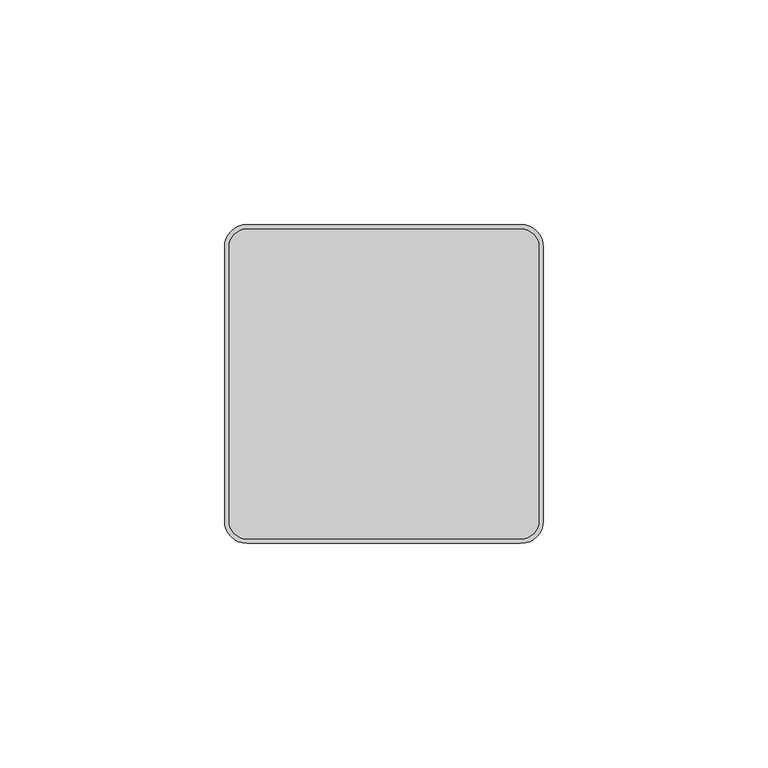
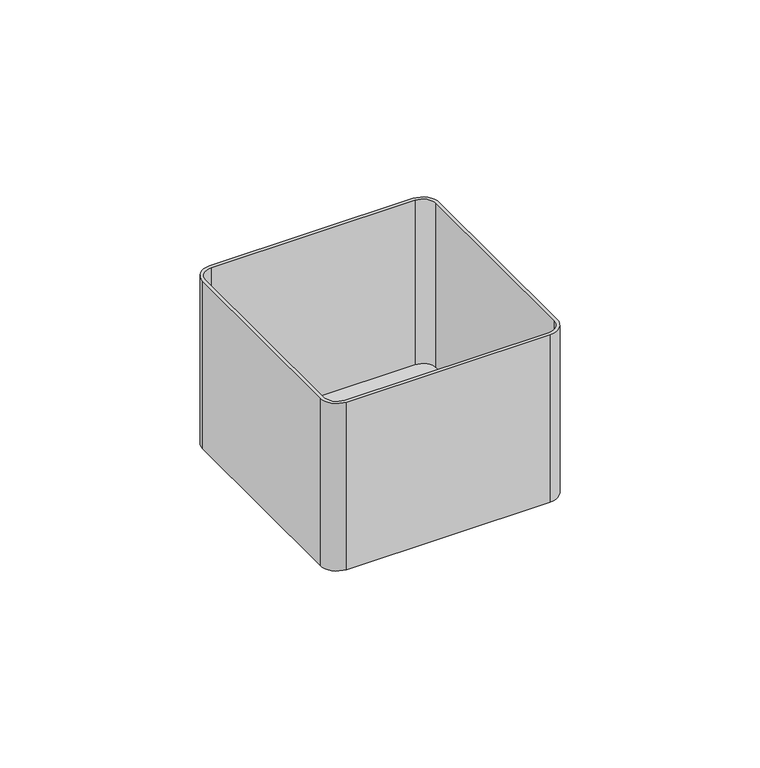
"""IFC4 building model written with IfcOpenShell, lengths in millimetres: proxy geometry."""

from ifc_helpers import new_model, si_unit, point, frame, frame_2d, origin, place, context, project, spatial, polyline, circle_curve, trimmed, segment, composite_curve, outline, extrude, source, transform, mapped, element, save


def electrical_fixtures_b355ae91(model_context):
    return source(origin(), model_context, "Body", "SweptSolid", [
        extrude(outline(composite_curve([segment(polyline([(-30.5, 34.5), (30.5, 34.5)]), True, "CONTINUOUS"), segment(trimmed(circle_curve(frame_2d((30.5, 30.5)), 4.0), [point((30.5, 34.5))], [point((34.5, 30.5))], False, "CARTESIAN"), True, "CONTINUOUS"), segment(polyline([(34.5, 30.5), (34.5, -30.5)]), True, "CONTINUOUS"), segment(trimmed(circle_curve(frame_2d((30.5, -30.5)), 4.0), [point((34.5, -30.5))], [point((30.5, -34.5))], False, "CARTESIAN"), True, "CONTINUOUS"), segment(polyline([(30.5, -34.5), (-30.5, -34.5)]), True, "CONTINUOUS"), segment(trimmed(circle_curve(frame_2d((-30.5, -30.5)), 4.0), [point((-30.5, -34.5))], [point((-34.5, -30.5))], False, "CARTESIAN"), True, "CONTINUOUS"), segment(polyline([(-34.5, -30.5), (-34.5, 30.5)]), True, "CONTINUOUS"), segment(trimmed(circle_curve(frame_2d((-30.5, 30.5)), 4.0), [point((-34.5, 30.5))], [point((-30.5, 34.5))], False, "CARTESIAN"), True, "CONTINUOUS")], self_intersect=False)), frame((0.0, 0.0, -53.0), z_axis=(0.0, 0.0, 1.0), x_axis=(1.0, 0.0, 0.0)), (0.0, 0.0, 1.0), 1.0),
        extrude(outline(composite_curve([segment(polyline([(-35.5, -30.5), (-35.5, 30.5)]), True, "CONTINUOUS"), segment(trimmed(circle_curve(frame_2d((-30.5, 30.5)), 5.0), [point((-35.5, 30.5))], [point((-30.5, 35.5))], False, "CARTESIAN"), True, "CONTINUOUS"), segment(polyline([(-30.5, 35.5), (30.5, 35.5)]), True, "CONTINUOUS"), segment(trimmed(circle_curve(frame_2d((30.5, 30.5)), 5.0), [point((30.5, 35.5))], [point((35.5, 30.5))], False, "CARTESIAN"), True, "CONTINUOUS"), segment(polyline([(35.5, 30.5), (35.5, -30.5)]), True, "CONTINUOUS"), segment(trimmed(circle_curve(frame_2d((30.5, -30.5)), 5.0), [point((35.5, -30.5))], [point((30.5, -35.5))], False, "CARTESIAN"), True, "CONTINUOUS"), segment(polyline([(30.5, -35.5), (-30.5, -35.5)]), True, "CONTINUOUS"), segment(trimmed(circle_curve(frame_2d((-30.5, -30.5)), 5.0), [point((-30.5, -35.5))], [point((-35.5, -30.5))], False, "CARTESIAN"), True, "CONTINUOUS")], self_intersect=False), holes=[composite_curve([segment(trimmed(circle_curve(frame_2d((-30.5, -30.5)), 4.0), [point((-34.5, -30.5))], [point((-30.5, -34.5))], True, "CARTESIAN"), True, "CONTINUOUS"), segment(polyline([(-30.5, -34.5), (30.5, -34.5)]), True, "CONTINUOUS"), segment(trimmed(circle_curve(frame_2d((30.5, -30.5)), 4.0), [point((30.5, -34.5))], [point((34.5, -30.5))], True, "CARTESIAN"), True, "CONTINUOUS"), segment(polyline([(34.5, -30.5), (34.5, 30.5)]), True, "CONTINUOUS"), segment(trimmed(circle_curve(frame_2d((30.5, 30.5)), 4.0), [point((34.5, 30.5))], [point((30.5, 34.5))], True, "CARTESIAN"), True, "CONTINUOUS"), segment(polyline([(30.5, 34.5), (-30.5, 34.5)]), True, "CONTINUOUS"), segment(trimmed(circle_curve(frame_2d((-30.5, 30.5)), 4.0), [point((-30.5, 34.5))], [point((-34.5, 30.5))], True, "CARTESIAN"), True, "CONTINUOUS"), segment(polyline([(-34.5, 30.5), (-34.5, -30.5)]), True, "CONTINUOUS")], self_intersect=False)]), frame((0.0, 0.0, -53.0), z_axis=(0.0, 0.0, 1.0), x_axis=(1.0, 0.0, 0.0)), (0.0, 0.0, 1.0), 53.0),
    ])


if __name__ == "__main__":
    model = new_model("IFC4")
    model_context = context("Model", 3, world=origin())
    ifc_project = project(units=[si_unit("LENGTHUNIT", "METRE", prefix="MILLI")], contexts=[model_context])
    site = spatial("IfcSite", under=ifc_project)
    building = spatial("IfcBuilding", under=site)
    placement = place(None, origin())
    electrical_fixtures_shape = electrical_fixtures_b355ae91(model_context)
    element("IfcBuildingElementProxy", 1, Name="Electrical Fixtures", at=placement, inside=building, context=model_context, shape_type="MappedRepresentation", body=[
        mapped(electrical_fixtures_shape, transform((0.0, 0.0, 0.0), x_axis=(1.0, 0.0, 0.0), y_axis=(0.0, 1.0, 0.0), z_axis=(0.0, 0.0, 1.0))),
    ])
    save(model, "model.ifc")
